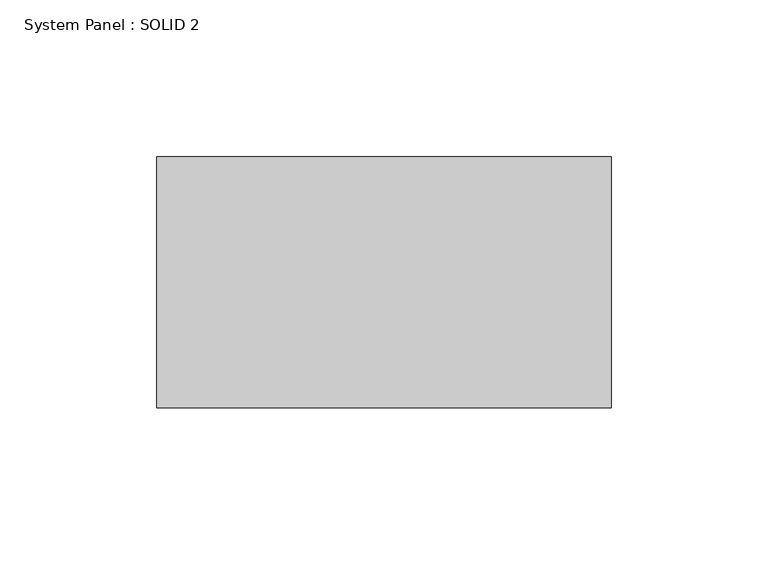
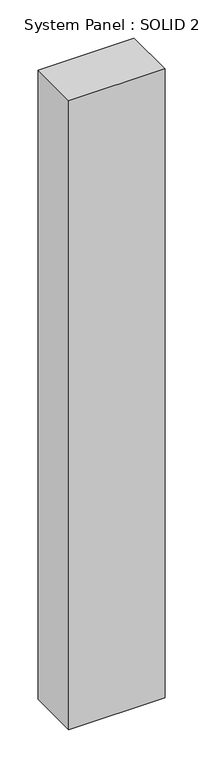
"""IFC4 building model written with IfcOpenShell, lengths in millimetres: plate geometry, System Panel : SOLID 2."""

from ifc_helpers import new_model, si_unit, origin, origin_with_axes, place, context, project, spatial, polyline, outline, extrude, source, transform, mapped, element, save


def system_panel_solid_2_f5cae7dc(model_context):
    return source(origin(), model_context, "Body", "SweptSolid", [
        extrude(outline(polyline([(72.5, 80.0), (-72.5, 80.0), (-72.5, 160.0), (72.5, 160.0), (72.5, 80.0)])), origin_with_axes(), (0.0, 0.0, 1.0), 1003.0),
    ])


if __name__ == "__main__":
    model = new_model("IFC4")
    model_context = context("Model", 3, world=origin())
    ifc_project = project(units=[si_unit("LENGTHUNIT", "METRE", prefix="MILLI")], contexts=[model_context])
    site = spatial("IfcSite", under=ifc_project)
    building = spatial("IfcBuilding", under=site)
    placement = place(None, origin())
    system_panel_solid_2_shape = system_panel_solid_2_f5cae7dc(model_context)
    element("IfcPlate", 1, ObjectType="System Panel : SOLID 2", at=placement, inside=building, context=model_context, shape_type="MappedRepresentation", body=[
        mapped(system_panel_solid_2_shape, transform((0.0, 0.0, 0.0), x_axis=(1.0, 0.0, 0.0), y_axis=(0.0, 1.0, 0.0), z_axis=(0.0, 0.0, 1.0))),
    ])
    save(model, "model.ifc")
